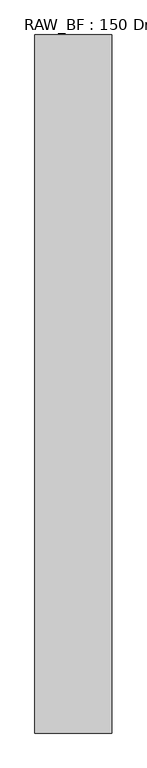
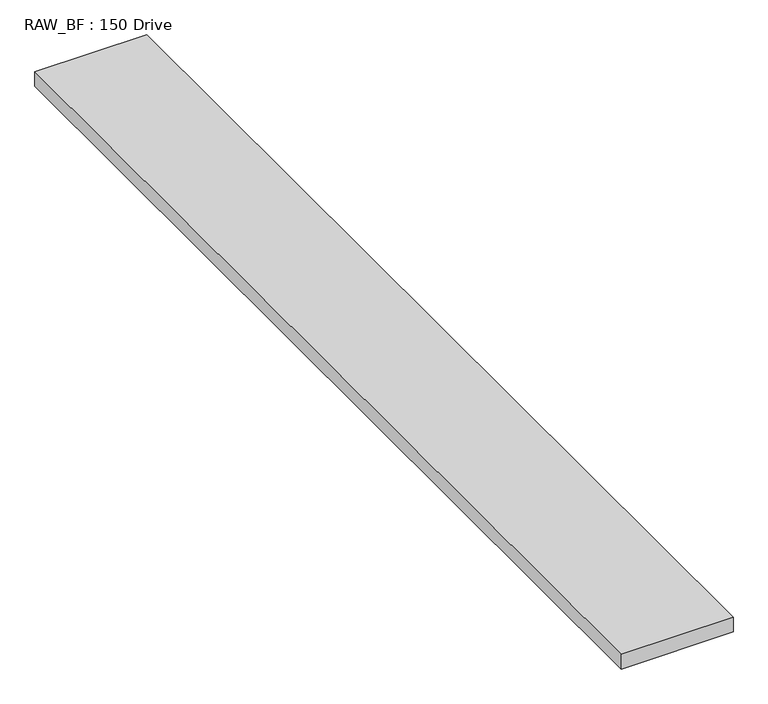
"""IFC4 building model written with IfcOpenShell, lengths in millimetres: proxy geometry, RAW_BF : 150 Drive."""

from ifc_helpers import new_model, si_unit, frame, origin, place, context, project, spatial, polyline, outline, extrude, source, transform, mapped, element, save


def raw_bf_150_drive_eaac3261(model_context):
    return source(origin(), model_context, "Body", "SweptSolid", [
        extrude(outline(polyline([(600.0, 0.0), (-600.0, 0.0), (-600.0, 10900.0), (600.0, 10900.0), (600.0, 0.0)])), frame((0.0, 0.0, -165.0), z_axis=(0.0, 0.0, 1.0), x_axis=(1.0, 0.0, 0.0)), (0.0, 0.0, 1.0), 165.0),
    ])


if __name__ == "__main__":
    model = new_model("IFC4")
    model_context = context("Model", 3, world=origin())
    ifc_project = project(units=[si_unit("LENGTHUNIT", "METRE", prefix="MILLI")], contexts=[model_context])
    site = spatial("IfcSite", under=ifc_project)
    building = spatial("IfcBuilding", under=site)
    placement = place(None, origin())
    raw_bf_150_drive_shape = raw_bf_150_drive_eaac3261(model_context)
    element("IfcBuildingElementProxy", 1, Name="RAW_BF : 150 Drive", ObjectType="RAW_BF : 150 Drive", at=placement, inside=building, context=model_context, shape_type="MappedRepresentation", body=[
        mapped(raw_bf_150_drive_shape, transform((0.0, 0.0, 0.0), x_axis=(1.0, 0.0, 0.0), y_axis=(0.0, 1.0, 0.0), z_axis=(0.0, 0.0, 1.0))),
    ])
    save(model, "model.ifc")
